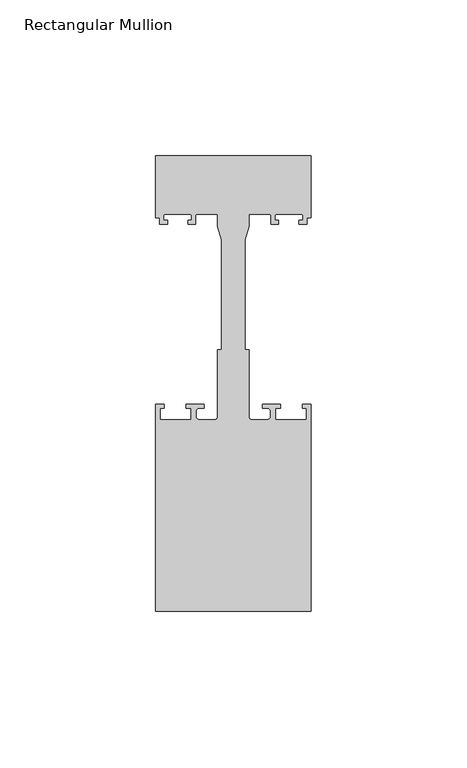
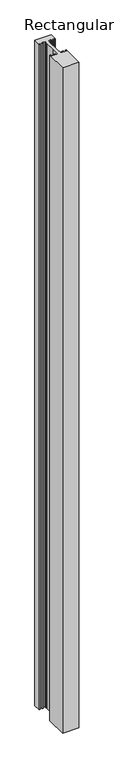
"""IFC4 building model written with IfcOpenShell, lengths in millimetres: member geometry, Rectangular Mullion."""

import ifcopenshell
import ifcopenshell.guid

model = None  # the IFC model being written
_history = None  # IfcOwnerHistory: only IFC2X3 demands one
_inside = {}  # id of a spatial element -> (the spatial element, [elements in it])
_under = {}  # id of a project, library or spatial element -> (it, [spatial elements below it])
_declared = {}  # id of a project -> (the project, [libraries it declares])
_typed = {}  # id of a type object -> (the type object, [elements of that type])
_made_of = {}  # id of a material, layer set ... -> (it, [elements and type objects made of it])


def new_model(schema):
    """Start an empty IFC model of exactly this schema.

    Asked for "IFC4X3", IfcOpenShell would pick the latest addendum, in which some entities
    have other attributes; the version numbers below select the first issue.
    IFC2X3 requires an IfcOwnerHistory on every rooted entity: one is made here for all.
    """
    global model, _history
    if schema == "IFC4X3":
        model = ifcopenshell.file(schema_version=(4, 3, 0, 0))
    else:
        model = ifcopenshell.file(schema=schema)
    _inside.clear()
    _under.clear()
    _declared.clear()
    _typed.clear()
    _made_of.clear()
    _history = None
    if model.schema == "IFC2X3":
        org = make("IfcOrganization", Name="unknown")
        user = make(
            "IfcPersonAndOrganization",
            ThePerson=make("IfcPerson", FamilyName="unknown"),
            TheOrganization=org,
        )
        app = make(
            "IfcApplication",
            ApplicationDeveloper=org,
            Version="unknown",
            ApplicationFullName="unknown",
            ApplicationIdentifier="unknown",
        )
        _history = make(
            "IfcOwnerHistory",
            OwningUser=user,
            OwningApplication=app,
            ChangeAction="ADDED",
            CreationDate=0,
        )
    return model


def make(cls, **values):
    """One entity of the class cls with the attributes given. An attribute that is None is left unset."""
    return model.create_entity(
        cls, **{name: value for name, value in values.items() if value is not None}
    )


def rooted(cls, **values):
    """An entity with a GlobalId (a new one), such as an element, a storey or a relation."""
    return make(cls, GlobalId=ifcopenshell.guid.new(), OwnerHistory=_history, **values)


def si_unit(unit_type, name, prefix=None):
    """IfcSIUnit, for example si_unit("LENGTHUNIT", "METRE", prefix="MILLI")."""
    return make("IfcSIUnit", UnitType=unit_type, Prefix=prefix, Name=name)


def assignment(units):
    """IfcUnitAssignment: the units of a project."""
    return None if units is None else make("IfcUnitAssignment", Units=units)


def point(xyz):
    """IfcCartesianPoint."""
    return None if xyz is None else make("IfcCartesianPoint", Coordinates=xyz)


def direction(xyz):
    """IfcDirection."""
    return None if xyz is None else make("IfcDirection", DirectionRatios=xyz)


def frame(location, z_axis=None, x_axis=None):
    """IfcAxis2Placement3D, a coordinate frame: its origin and axes. An axis left out is left unset."""
    return make(
        "IfcAxis2Placement3D",
        Location=point(location),
        Axis=direction(z_axis),
        RefDirection=direction(x_axis),
    )


def frame_2d(location, x_axis=None):
    """IfcAxis2Placement2D, a coordinate frame in the plane: its origin and x axis."""
    return make(
        "IfcAxis2Placement2D", Location=point(location), RefDirection=direction(x_axis)
    )


def origin():
    """The frame at (0, 0, 0) with its axes left unset."""
    return frame((0.0, 0.0, 0.0))


def place(relative_to, where):
    """IfcLocalPlacement: puts the frame where relative to a parent placement (None: the world)."""
    return make(
        "IfcLocalPlacement", PlacementRelTo=relative_to, RelativePlacement=where
    )


def context(
    kind, dimensions, precision=None, world=None, true_north=None, identifier=None
):
    """IfcGeometricRepresentationContext, for example the 3D "Model" context."""
    return make(
        "IfcGeometricRepresentationContext",
        ContextIdentifier=identifier,
        ContextType=kind,
        CoordinateSpaceDimension=dimensions,
        Precision=precision,
        WorldCoordinateSystem=world,
        TrueNorth=true_north,
    )


def project(units=None, contexts=None):
    """IfcProject with its units and contexts."""
    return rooted(
        "IfcProject",
        Name="project",
        RepresentationContexts=contexts,
        UnitsInContext=assignment(units),
    )


def spatial(cls, under=None, at=None, **own):
    """A site, building, storey or space (cls), placed at a placement, below another one or the project."""
    s = rooted(cls, ObjectPlacement=at, **own)
    if under is not None:
        _under.setdefault(under.id(), (under, []))[1].append(s)
    return s


def polyline(points):
    """IfcPolyline through the points."""
    return make("IfcPolyline", Points=[point(p) for p in points])


def circle_curve(where, radius):
    """IfcCircle in the frame where."""
    return make("IfcCircle", Position=where, Radius=radius)


def trimmed(basis, trim1, trim2, sense, master):
    """IfcTrimmedCurve: the piece of a basis curve between two trims."""
    return make(
        "IfcTrimmedCurve",
        BasisCurve=basis,
        Trim1=trim1,
        Trim2=trim2,
        SenseAgreement=sense,
        MasterRepresentation=master,
    )


def segment(curve, same_sense, transition):
    """IfcCompositeCurveSegment."""
    return make(
        "IfcCompositeCurveSegment",
        Transition=transition,
        SameSense=same_sense,
        ParentCurve=curve,
    )


def composite_curve(segments, self_intersect=None):
    """IfcCompositeCurve: segments joined end to end."""
    return make("IfcCompositeCurve", Segments=segments, SelfIntersect=self_intersect)


def outline(outer, holes=None, kind="AREA"):
    """IfcArbitraryClosedProfileDef: a profile drawn as a closed curve; with holes, ...WithVoids."""
    if holes is None:
        return make("IfcArbitraryClosedProfileDef", ProfileType=kind, OuterCurve=outer)
    return make(
        "IfcArbitraryProfileDefWithVoids",
        ProfileType=kind,
        OuterCurve=outer,
        InnerCurves=holes,
    )


def extrude(swept, where, along, depth):
    """IfcExtrudedAreaSolid: the profile swept, set in the frame where, extruded along a direction by depth."""
    return make(
        "IfcExtrudedAreaSolid",
        SweptArea=swept,
        Position=where,
        ExtrudedDirection=direction(along),
        Depth=depth,
    )


def shape(context_of_items, identifier, shape_type, items):
    """IfcShapeRepresentation: the items that make up one representation, for example the "Body"."""
    return make(
        "IfcShapeRepresentation",
        ContextOfItems=context_of_items,
        RepresentationIdentifier=identifier,
        RepresentationType=shape_type,
        Items=items,
    )


def source(mapping_origin, context_of_items, identifier, shape_type, items):
    """IfcRepresentationMap: a shape defined once, which mapped items show again and again."""
    return make(
        "IfcRepresentationMap",
        MappingOrigin=mapping_origin,
        MappedRepresentation=shape(context_of_items, identifier, shape_type, items),
    )


def transform(
    local_origin,
    x_axis=None,
    y_axis=None,
    z_axis=None,
    scale=None,
    scale2=None,
    scale3=None,
    uniform=True,
):
    """IfcCartesianTransformationOperator3D, or its non-uniform kind. x_axis, y_axis, z_axis: its Axis1, 2, 3."""
    if uniform:
        return make(
            "IfcCartesianTransformationOperator3D",
            Axis1=direction(x_axis),
            Axis2=direction(y_axis),
            LocalOrigin=point(local_origin),
            Scale=scale,
            Axis3=direction(z_axis),
        )
    return make(
        "IfcCartesianTransformationOperator3DnonUniform",
        Axis1=direction(x_axis),
        Axis2=direction(y_axis),
        LocalOrigin=point(local_origin),
        Scale=scale,
        Axis3=direction(z_axis),
        Scale2=scale2,
        Scale3=scale3,
    )


def mapped(mapping_source, mapping_target):
    """IfcMappedItem: shows the shape of a source again, moved by a transform."""
    return make(
        "IfcMappedItem", MappingSource=mapping_source, MappingTarget=mapping_target
    )


def made_of(thing, what):
    """Note that an element or type object is made of a material, layer set ...; save() writes the relation."""
    if what is not None:
        _made_of.setdefault(what.id(), (what, []))[1].append(thing)
    return thing


def element(
    cls,
    number,
    at=None,
    inside=None,
    cuts=None,
    type_object=None,
    material=None,
    context=None,
    identifier="Body",
    shape_type=None,
    held_by="IfcProductDefinitionShape",
    body=None,
    shapes=None,
    **own,
):
    """One element of the class cls, such as IfcWall. Its Tag is "e" and its number.

    at: its placement. inside: the storey or other place that contains it. cuts: it is an
    opening in that element (IfcRelVoidsElement). A single representation is given by context,
    identifier, shape_type and body (its items); several are given by shapes. held_by: the class
    of the entity that holds the representations. save() writes the other relations.
    """
    e = rooted(cls, Tag="e%d" % number, ObjectPlacement=at, **own)
    if body is not None:
        shapes = [shape(context, identifier, shape_type, body)]
    if shapes is not None:
        e.Representation = make(held_by, Representations=shapes)
    if inside is not None:
        _inside.setdefault(inside.id(), (inside, []))[1].append(e)
    if cuts is not None:
        rooted(
            "IfcRelVoidsElement", RelatingBuildingElement=cuts, RelatedOpeningElement=e
        )
    if type_object is not None:
        _typed.setdefault(type_object.id(), (type_object, []))[1].append(e)
    return made_of(e, material)


def aggregate(whole, parts):
    """IfcRelAggregates: a whole, such as a stair, and the parts it consists of."""
    return rooted("IfcRelAggregates", RelatingObject=whole, RelatedObjects=parts)


def save(model, path):
    """Write the relations noted so far, then the file.

    IfcRelAggregates (storeys below a building ...), IfcRelContainedInSpatialStructure (elements
    in a storey), IfcRelDefinesByType, IfcRelAssociatesMaterial and IfcRelDeclares: one each for
    every whole, place, type object, material and project.
    """
    for whole, parts in _under.values():
        aggregate(whole, parts)
    for where, things in _inside.values():
        rooted(
            "IfcRelContainedInSpatialStructure",
            RelatedElements=things,
            RelatingStructure=where,
        )
    for kind, things in _typed.values():
        rooted("IfcRelDefinesByType", RelatedObjects=things, RelatingType=kind)
    for what, things in _made_of.values():
        rooted("IfcRelAssociatesMaterial", RelatedObjects=things, RelatingMaterial=what)
    for by, libraries in _declared.values():
        rooted("IfcRelDeclares", RelatingContext=by, RelatedDefinitions=libraries)
    model.write(path)


def rectangular_mullion_a54cb0ae(model_context):
    return source(origin(), model_context, "Body", "SweptSolid", [
        extrude(outline(composite_curve([segment(polyline([(-25.0, -54.0), (-25.0, 12.5), (-22.2, 12.5), (-22.2, 11.2), (-23.5, 11.2), (-23.5, 7.5), (-13.5, 7.5), (-13.5, 11.2), (-15.2, 11.2), (-15.2, 12.5), (-9.4, 12.5), (-9.4, 11.2), (-11.0, 11.2)]), True, "CONTINUOUS"), segment(trimmed(circle_curve(frame_2d((-11.0, 10.2)), 1.0), [point((-11.0, 11.2))], [point((-12.0, 10.2))], True, "CARTESIAN"), True, "CONTINUOUS"), segment(polyline([(-12.0, 10.2), (-12.0, 8.5)]), True, "CONTINUOUS"), segment(trimmed(circle_curve(frame_2d((-11.0, 8.5)), 1.0), [point((-12.0, 8.5))], [point((-11.0, 7.5))], True, "CARTESIAN"), True, "CONTINUOUS"), segment(polyline([(-11.0, 7.5), (-6.0, 7.5)]), True, "CONTINUOUS"), segment(trimmed(circle_curve(frame_2d((-6.0, 8.5)), 1.0), [point((-6.0, 7.5))], [point((-5.0, 8.5))], True, "CARTESIAN"), True, "CONTINUOUS"), segment(polyline([(-5.0, 8.5), (-5.0, 30.0), (-3.7, 30.0), (-3.7, 65.3046824), (-5.0, 69.6597214), (-5.0, 73.5), (-11.65, 73.5)]), True, "CONTINUOUS"), segment(trimmed(circle_curve(frame_2d((-11.65, 73.0)), 0.5), [point((-11.65, 73.5))], [point((-12.15, 73.0))], True, "CARTESIAN"), True, "CONTINUOUS"), segment(polyline([(-12.15, 73.0), (-12.15, 70.3), (-14.55, 70.3), (-14.55, 71.5), (-13.45, 71.5), (-13.45, 73.0)]), True, "CONTINUOUS"), segment(trimmed(circle_curve(frame_2d((-13.95, 73.0)), 0.5), [point((-13.45, 73.0))], [point((-13.95, 73.5))], True, "CARTESIAN"), True, "CONTINUOUS"), segment(polyline([(-13.95, 73.5), (-21.95, 73.5)]), True, "CONTINUOUS"), segment(trimmed(circle_curve(frame_2d((-21.95, 73.0)), 0.5), [point((-21.95, 73.5))], [point((-22.45, 73.0))], True, "CARTESIAN"), True, "CONTINUOUS"), segment(polyline([(-22.45, 73.0), (-22.45, 71.5), (-21.05, 71.5), (-21.05, 70.3), (-23.75, 70.3), (-23.75, 72.3), (-25.0, 72.3), (-25.0, 92.3), (25.0, 92.3), (25.0, 72.3), (23.75, 72.3), (23.75, 70.3), (21.05, 70.3), (21.05, 71.5), (22.45, 71.5), (22.45, 73.0)]), True, "CONTINUOUS"), segment(trimmed(circle_curve(frame_2d((21.95, 73.0)), 0.5), [point((22.45, 73.0))], [point((21.95, 73.5))], True, "CARTESIAN"), True, "CONTINUOUS"), segment(polyline([(21.95, 73.5), (13.95, 73.5)]), True, "CONTINUOUS"), segment(trimmed(circle_curve(frame_2d((13.95, 73.0)), 0.5), [point((13.95, 73.5))], [point((13.45, 73.0))], True, "CARTESIAN"), True, "CONTINUOUS"), segment(polyline([(13.45, 73.0), (13.45, 71.5), (14.55, 71.5), (14.55, 70.3), (12.15, 70.3), (12.15, 73.0)]), True, "CONTINUOUS"), segment(trimmed(circle_curve(frame_2d((11.65, 73.0)), 0.5), [point((12.15, 73.0))], [point((11.65, 73.5))], True, "CARTESIAN"), True, "CONTINUOUS"), segment(polyline([(11.65, 73.5), (5.0, 73.5), (5.0, 69.6597214), (3.7, 65.3046824), (3.7, 30.0), (5.0, 30.0), (5.0, 8.5)]), True, "CONTINUOUS"), segment(trimmed(circle_curve(frame_2d((6.0, 8.5)), 1.0), [point((5.0, 8.5))], [point((6.0, 7.5))], True, "CARTESIAN"), True, "CONTINUOUS"), segment(polyline([(6.0, 7.5), (11.0, 7.5)]), True, "CONTINUOUS"), segment(trimmed(circle_curve(frame_2d((11.0, 8.5)), 1.0), [point((11.0, 7.5))], [point((12.0, 8.5))], True, "CARTESIAN"), True, "CONTINUOUS"), segment(polyline([(12.0, 8.5), (12.0, 10.2)]), True, "CONTINUOUS"), segment(trimmed(circle_curve(frame_2d((11.0, 10.2)), 1.0), [point((12.0, 10.2))], [point((11.0, 11.2))], True, "CARTESIAN"), True, "CONTINUOUS"), segment(polyline([(11.0, 11.2), (9.4, 11.2), (9.4, 12.5), (15.2, 12.5), (15.2, 11.2), (13.5, 11.2), (13.5, 7.5), (23.5, 7.5), (23.5, 11.2), (22.2, 11.2), (22.2, 12.5), (25.0, 12.5), (25.0, -54.0), (-25.0, -54.0)]), True, "CONTINUOUS")], self_intersect=False)), frame((0.0, 0.0, -2150.0), z_axis=(0.0, 0.0, 1.0), x_axis=(1.0, 0.0, 0.0)), (0.0, 0.0, 1.0), 2150.0),
    ])


if __name__ == "__main__":
    model = new_model("IFC4")
    model_context = context("Model", 3, world=origin())
    ifc_project = project(units=[si_unit("LENGTHUNIT", "METRE", prefix="MILLI")], contexts=[model_context])
    site = spatial("IfcSite", under=ifc_project)
    building = spatial("IfcBuilding", under=site)
    placement = place(None, origin())
    rectangular_mullion_shape = rectangular_mullion_a54cb0ae(model_context)
    element("IfcMember", 1, ObjectType="Rectangular Mullion", at=placement, inside=building, context=model_context, shape_type="MappedRepresentation", body=[
        mapped(rectangular_mullion_shape, transform((0.0, 0.0, 0.0), x_axis=(1.0, 0.0, 0.0), y_axis=(0.0, 1.0, 0.0), z_axis=(0.0, 0.0, 1.0))),
    ])
    save(model, "model.ifc")
